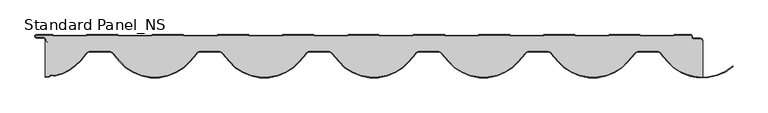
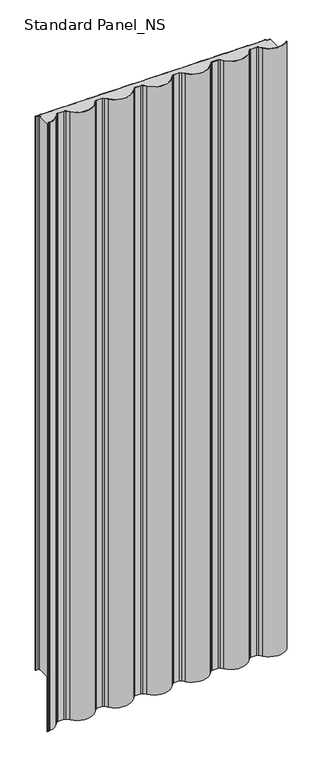
"""IFC4 building model written with IfcOpenShell, lengths in millimetres: proxy geometry, Standard Panel_NS."""

from ifc_helpers import new_model, si_unit, point, frame, frame_2d, origin, origin_with_axes, place, context, project, spatial, polyline, circle_curve, trimmed, segment, composite_curve, outline, extrude, source, transform, mapped, element, save


def standard_panel_ns_9c4f9f68(model_context):
    return source(origin(), model_context, "Body", "SweptSolid", [
        extrude(outline(composite_curve([segment(polyline([(-498.6355337, -10.7186533), (-496.4050487, -12.0064245), (-495.9050487, -11.1403991), (-498.1355337, -9.8526279)]), True, "CONTINUOUS"), segment(trimmed(circle_curve(frame_2d((-497.5855337, -8.9)), 1.1), [point((-498.1355337, -9.8526279))], [point((-498.6855337, -8.9))], False, "CARTESIAN"), True, "CONTINUOUS"), segment(trimmed(circle_curve(frame_2d((-503.7855337, -8.9)), 5.1), [point((-498.6855337, -8.9))], [point((-503.7855337, -3.8))], True, "CARTESIAN"), True, "CONTINUOUS"), segment(polyline([(-503.7855337, -3.8), (-513.2855337, -3.8)]), True, "CONTINUOUS"), segment(trimmed(circle_curve(frame_2d((-513.2855337, -2.4)), 1.4), [point((-513.2855337, -3.8))], [point((-513.2855337, -1.0))], False, "CARTESIAN"), True, "CONTINUOUS"), segment(polyline([(-513.2855337, -1.0), (-488.9539095, -1.0), (-487.2218587, -2.0), (-437.8022434, -2.0), (-436.0701926, -1.0), (-389.9539095, -1.0), (-388.2218587, -2.0), (-338.8022434, -2.0), (-337.0701926, -1.0), (-290.0530074, -1.0), (-288.3209566, -2.0), (-238.9013414, -2.0), (-237.1692905, -1.0), (-191.0530074, -1.0), (-189.3209566, -2.0), (-139.9013414, -2.0), (-138.1692905, -1.0), (-91.9088582, -1.0), (-90.1768074, -2.0), (-40.7571922, -2.0), (-39.0251414, -1.0), (7.0911418, -1.0), (8.8231926, -2.0), (58.2428078, -2.0), (59.9748586, -1.0), (106.9920439, -1.0), (108.7240947, -2.0), (158.1437099, -2.0), (159.8757607, -1.0), (205.9920439, -1.0), (207.7240947, -2.0), (257.1437099, -2.0), (258.8757607, -1.0), (305.136193, -1.0), (306.8682438, -2.0), (356.2878591, -2.0), (358.0199099, -1.0), (404.136193, -1.0), (405.8682438, -2.0), (455.2878591, -2.0), (457.0199099, -1.0), (482.2144663, -1.0)]), True, "CONTINUOUS"), segment(trimmed(circle_curve(frame_2d((482.2144663, -1.9)), 0.9), [point((482.2144663, -1.0))], [point((483.1144663, -1.9))], False, "CARTESIAN"), True, "CONTINUOUS"), segment(polyline([(483.1144663, -1.9), (483.1144663, -3.3)]), True, "CONTINUOUS"), segment(trimmed(circle_curve(frame_2d((486.2144663, -3.3)), 3.1), [point((483.1144663, -3.3))], [point((486.2144663, -6.4))], True, "CARTESIAN"), True, "CONTINUOUS"), segment(polyline([(486.2144663, -6.4), (496.5000907, -6.4)]), True, "CONTINUOUS"), segment(trimmed(circle_curve(frame_2d((496.5000907, -8.9)), 2.5), [point((496.5000907, -6.4))], [point((499.0000907, -8.9))], False, "CARTESIAN"), True, "CONTINUOUS"), segment(polyline([(499.0000907, -8.9), (500.0000907, -8.9), (500.0000907, -64.999989)]), True, "CONTINUOUS"), segment(trimmed(circle_curve(frame_2d((499.9960907, 4.0757294)), 69.0757185), [point((500.0000907, -64.999989))], [point((447.0810204, -40.3252866))], False, "CARTESIAN"), True, "CONTINUOUS"), segment(polyline([(447.0810204, -40.3252866), (437.293871, -28.6614162)]), True, "CONTINUOUS"), segment(trimmed(circle_curve(frame_2d((429.4419155, -35.2499892)), 10.25), [point((437.293871, -28.6614162))], [point((429.4419155, -24.9999892))], True, "CARTESIAN"), True, "CONTINUOUS"), segment(polyline([(429.4419155, -24.9999892), (403.8837707, -24.9999892)]), True, "CONTINUOUS"), segment(trimmed(circle_curve(frame_2d((403.8804817, -35.2418743)), 10.2418857), [point((403.8837707, -24.9999892))], [point((396.0321823, -28.6615689))], True, "CARTESIAN"), True, "CONTINUOUS"), segment(polyline([(396.0321823, -28.6615689), (386.2451611, -40.3252866)]), True, "CONTINUOUS"), segment(trimmed(circle_curve(frame_2d((333.3300907, 4.0757294)), 69.0757185), [point((386.2451611, -40.3252866))], [point((280.4150204, -40.3252866))], False, "CARTESIAN"), True, "CONTINUOUS"), segment(polyline([(280.4150204, -40.3252866), (270.627871, -28.6614162)]), True, "CONTINUOUS"), segment(trimmed(circle_curve(frame_2d((262.7759155, -35.2499892)), 10.25), [point((270.627871, -28.6614162))], [point((262.7759155, -24.9999892))], True, "CARTESIAN"), True, "CONTINUOUS"), segment(polyline([(262.7759155, -24.9999892), (237.2177707, -24.9999892)]), True, "CONTINUOUS"), segment(trimmed(circle_curve(frame_2d((237.2144817, -35.2418743)), 10.2418857), [point((237.2177707, -24.9999892))], [point((229.3661823, -28.661569))], True, "CARTESIAN"), True, "CONTINUOUS"), segment(polyline([(229.3661823, -28.661569), (219.5791611, -40.3252866)]), True, "CONTINUOUS"), segment(trimmed(circle_curve(frame_2d((166.6640907, 4.0757294)), 69.0757185), [point((219.5791611, -40.3252866))], [point((113.7489805, -40.325239))], False, "CARTESIAN"), True, "CONTINUOUS"), segment(polyline([(113.7489805, -40.325239), (103.9618807, -28.6614065)]), True, "CONTINUOUS"), segment(trimmed(circle_curve(frame_2d((96.1099119, -35.2499786)), 10.2500097), [point((103.9618807, -28.6614065))], [point((96.1099119, -24.9999689))], True, "CARTESIAN"), True, "CONTINUOUS"), segment(polyline([(96.1099119, -24.9999689), (70.5518559, -24.9999689)]), True, "CONTINUOUS"), segment(trimmed(circle_curve(frame_2d((70.5518559, -35.2490325)), 10.2490635), [point((70.5518559, -24.9999689))], [point((62.7006209, -28.6610576))], True, "CARTESIAN"), True, "CONTINUOUS"), segment(polyline([(62.7006209, -28.6610576), (52.9131397, -40.3253121)]), True, "CONTINUOUS"), segment(trimmed(circle_curve(frame_2d((-0.0019093, 4.0757294)), 69.0757185), [point((52.9131397, -40.3253121))], [point((-52.9169796, -40.3252866))], False, "CARTESIAN"), True, "CONTINUOUS"), segment(polyline([(-52.9169796, -40.3252866), (-62.704129, -28.6614162)]), True, "CONTINUOUS"), segment(trimmed(circle_curve(frame_2d((-70.5560845, -35.2499892)), 10.25), [point((-62.704129, -28.6614162))], [point((-70.5560845, -24.9999892))], True, "CARTESIAN"), True, "CONTINUOUS"), segment(polyline([(-70.5560845, -24.9999892), (-96.113734, -24.9999892)]), True, "CONTINUOUS"), segment(trimmed(circle_curve(frame_2d((-96.113734, -35.2499892)), 10.25), [point((-96.113734, -24.9999892))], [point((-103.9656895, -28.6614162))], True, "CARTESIAN"), True, "CONTINUOUS"), segment(polyline([(-103.9656895, -28.6614162), (-113.7528389, -40.3252866)]), True, "CONTINUOUS"), segment(trimmed(circle_curve(frame_2d((-166.6679093, 4.0757294)), 69.0757185), [point((-113.7528389, -40.3252866))], [point((-219.5829796, -40.3252866))], False, "CARTESIAN"), True, "CONTINUOUS"), segment(polyline([(-219.5829796, -40.3252866), (-229.370129, -28.6614162)]), True, "CONTINUOUS"), segment(trimmed(circle_curve(frame_2d((-237.2220845, -35.2499892)), 10.25), [point((-229.370129, -28.6614162))], [point((-237.2220845, -24.9999892))], True, "CARTESIAN"), True, "CONTINUOUS"), segment(polyline([(-237.2220845, -24.9999892), (-262.779734, -24.9999892)]), True, "CONTINUOUS"), segment(trimmed(circle_curve(frame_2d((-262.779734, -35.2499892)), 10.25), [point((-262.779734, -24.9999892))], [point((-270.6316895, -28.6614162))], True, "CARTESIAN"), True, "CONTINUOUS"), segment(polyline([(-270.6316895, -28.6614162), (-280.4184361, -40.3248065)]), True, "CONTINUOUS"), segment(trimmed(circle_curve(frame_2d((-333.3339093, 4.0765475)), 69.0762444), [point((-280.4184361, -40.3248065))], [point((-386.2493824, -40.3248066))], False, "CARTESIAN"), True, "CONTINUOUS"), segment(polyline([(-386.2493824, -40.3248066), (-396.036129, -28.6614162)]), True, "CONTINUOUS"), segment(trimmed(circle_curve(frame_2d((-403.8880845, -35.2499892)), 10.25), [point((-396.036129, -28.6614162))], [point((-403.8880845, -24.9999892))], True, "CARTESIAN"), True, "CONTINUOUS"), segment(polyline([(-403.8880845, -24.9999892), (-430.4540566, -24.9999892)]), True, "CONTINUOUS"), segment(trimmed(circle_curve(frame_2d((-430.4540566, -35.2469804)), 10.2469912), [point((-430.4540566, -24.9999892))], [point((-438.3037073, -28.6603414))], True, "CARTESIAN"), True, "CONTINUOUS"), segment(polyline([(-438.3037073, -28.6603414), (-447.0848388, -39.1252865)]), True, "CONTINUOUS"), segment(trimmed(circle_curve(frame_2d((-499.9999093, 5.2757294)), 69.0757185), [point((-447.0848388, -39.1252865))], [point((-485.2315184, -62.2027822))], False, "CARTESIAN"), True, "CONTINUOUS"), segment(trimmed(circle_curve(frame_2d((-485.6056685, -60.4932467)), 1.75), [point((-485.2315184, -62.2027822))], [point((-486.5816008, -61.9458499))], False, "CARTESIAN"), True, "CONTINUOUS"), segment(trimmed(circle_curve(frame_2d((-489.5093978, -66.3036595)), 5.25), [point((-486.5816008, -61.9458499))], [point((-493.5645482, -62.9692547))], True, "CARTESIAN"), True, "CONTINUOUS"), segment(trimmed(circle_curve(frame_2d((-494.9162649, -61.8577864)), 1.75), [point((-493.5645482, -62.9692547))], [point((-494.7841256, -63.6027904))], False, "CARTESIAN"), True, "CONTINUOUS"), segment(trimmed(circle_curve(frame_2d((-499.9999093, 5.2757294)), 69.0757185), [point((-494.7841256, -63.6027904))], [point((-499.9999093, -63.7999892))], False, "CARTESIAN"), True, "CONTINUOUS"), segment(polyline([(-499.9999093, -63.7999892), (-499.9999093, -7.325501)]), True, "CONTINUOUS"), segment(trimmed(circle_curve(frame_2d((-503.7855337, -8.9)), 4.1), [point((-499.9999093, -7.325501))], [point((-499.6855337, -8.9))], False, "CARTESIAN"), True, "CONTINUOUS"), segment(trimmed(circle_curve(frame_2d((-497.5855337, -8.9)), 2.1), [point((-499.6855337, -8.9))], [point((-498.6355337, -10.7186533))], True, "CARTESIAN"), True, "CONTINUOUS")], self_intersect=False)), origin_with_axes(), (0.0, 0.0, 1.0), 2527.968552),
        extrude(outline(composite_curve([segment(trimmed(circle_curve(frame_2d((-497.5855337, -8.9)), 2.1), [point((-498.6355337, -10.7186533))], [point((-499.6855337, -8.9))], False, "CARTESIAN"), True, "CONTINUOUS"), segment(trimmed(circle_curve(frame_2d((-503.7855337, -8.9)), 4.1), [point((-499.6855337, -8.9))], [point((-503.7855337, -4.8))], True, "CARTESIAN"), True, "CONTINUOUS"), segment(polyline([(-503.7855337, -4.8), (-513.2855337, -4.8)]), True, "CONTINUOUS"), segment(trimmed(circle_curve(frame_2d((-513.2855337, -2.4)), 2.4), [point((-513.2855337, -4.8))], [point((-513.2855337, 0.0))], False, "CARTESIAN"), True, "CONTINUOUS"), segment(polyline([(-513.2855337, 0.0), (-489.1280765, 0.0)]), True, "CONTINUOUS"), segment(trimmed(circle_curve(frame_2d((-489.1280765, -1.65)), 1.65), [point((-489.1280765, 0.0))], [point((-488.3030765, -0.2210581))], False, "CARTESIAN"), True, "CONTINUOUS"), segment(polyline([(-488.3030765, -0.2210581), (-486.9539095, -1.0), (-438.0701926, -1.0), (-436.9126149, -0.3316722)]), True, "CONTINUOUS"), segment(trimmed(circle_curve(frame_2d((-436.047426, -1.2942873)), 1.2942873), [point((-436.9126149, -0.3316722))], [point((-436.047426, 0.0))], False, "CARTESIAN"), True, "CONTINUOUS"), segment(polyline([(-436.047426, 0.0), (-390.1280765, 0.0)]), True, "CONTINUOUS"), segment(trimmed(circle_curve(frame_2d((-390.1280765, -1.65)), 1.65), [point((-390.1280765, 0.0))], [point((-389.3030765, -0.2210581))], False, "CARTESIAN"), True, "CONTINUOUS"), segment(polyline([(-389.3030765, -0.2210581), (-387.9539095, -1.0), (-339.0701926, -1.0), (-337.7210257, -0.2210581)]), True, "CONTINUOUS"), segment(trimmed(circle_curve(frame_2d((-336.8960257, -1.65)), 1.65), [point((-337.7210257, -0.2210581))], [point((-336.8960257, 0.0))], False, "CARTESIAN"), True, "CONTINUOUS"), segment(polyline([(-336.8960257, 0.0), (-290.2271744, 0.0)]), True, "CONTINUOUS"), segment(trimmed(circle_curve(frame_2d((-290.2271744, -1.65)), 1.65), [point((-290.2271744, 0.0))], [point((-289.4021744, -0.2210581))], False, "CARTESIAN"), True, "CONTINUOUS"), segment(polyline([(-289.4021744, -0.2210581), (-288.0530074, -1.0), (-239.1692905, -1.0), (-237.8201236, -0.2210581)]), True, "CONTINUOUS"), segment(trimmed(circle_curve(frame_2d((-236.9951236, -1.65)), 1.65), [point((-237.8201236, -0.2210581))], [point((-236.9951236, 0.0))], False, "CARTESIAN"), True, "CONTINUOUS"), segment(polyline([(-236.9951236, 0.0), (-191.075774, 0.0)]), True, "CONTINUOUS"), segment(trimmed(circle_curve(frame_2d((-191.075774, -1.2120166)), 1.2120166), [point((-191.075774, 0.0))], [point((-190.3029816, -0.278327))], False, "CARTESIAN"), True, "CONTINUOUS"), segment(polyline([(-190.3029816, -0.278327), (-189.0530074, -1.0), (-140.1692905, -1.0), (-138.8201236, -0.2210581)]), True, "CONTINUOUS"), segment(trimmed(circle_curve(frame_2d((-137.9951236, -1.65)), 1.65), [point((-138.8201236, -0.2210581))], [point((-137.9951236, 0.0))], False, "CARTESIAN"), True, "CONTINUOUS"), segment(polyline([(-137.9951236, 0.0), (-92.0830252, 0.0)]), True, "CONTINUOUS"), segment(trimmed(circle_curve(frame_2d((-92.0830252, -1.65)), 1.65), [point((-92.0830252, 0.0))], [point((-91.2580252, -0.2210581))], False, "CARTESIAN"), True, "CONTINUOUS"), segment(polyline([(-91.2580252, -0.2210581), (-89.9088582, -1.0), (-41.0251414, -1.0), (-39.7506864, -0.2641931)]), True, "CONTINUOUS"), segment(trimmed(circle_curve(frame_2d((-39.0023748, -1.1918713)), 1.1918713), [point((-39.7506864, -0.2641931))], [point((-39.0023748, 0.0))], False, "CARTESIAN"), True, "CONTINUOUS"), segment(polyline([(-39.0023748, 0.0), (6.9169748, 0.0)]), True, "CONTINUOUS"), segment(trimmed(circle_curve(frame_2d((6.9169748, -1.65)), 1.65), [point((6.9169748, 0.0))], [point((7.7419748, -0.2210581))], False, "CARTESIAN"), True, "CONTINUOUS"), segment(polyline([(7.7419748, -0.2210581), (9.0911418, -1.0), (57.9748586, -1.0), (59.3240256, -0.2210581)]), True, "CONTINUOUS"), segment(trimmed(circle_curve(frame_2d((60.1490256, -1.65)), 1.65), [point((59.3240256, -0.2210581))], [point((60.1490256, 0.0))], False, "CARTESIAN"), True, "CONTINUOUS"), segment(polyline([(60.1490256, 0.0), (106.8178769, 0.0)]), True, "CONTINUOUS"), segment(trimmed(circle_curve(frame_2d((106.8178769, -1.65)), 1.65), [point((106.8178769, 0.0))], [point((107.6428769, -0.2210581))], False, "CARTESIAN"), True, "CONTINUOUS"), segment(polyline([(107.6428769, -0.2210581), (108.9920439, -1.0), (157.8757607, -1.0), (159.2249277, -0.2210581)]), True, "CONTINUOUS"), segment(trimmed(circle_curve(frame_2d((160.0499277, -1.65)), 1.65), [point((159.2249277, -0.2210581))], [point((160.0499277, 0.0))], False, "CARTESIAN"), True, "CONTINUOUS"), segment(polyline([(160.0499277, 0.0), (205.9692773, 0.0)]), True, "CONTINUOUS"), segment(trimmed(circle_curve(frame_2d((205.9692773, -1.2379622)), 1.2379622), [point((205.9692773, 0.0))], [point((206.7722973, -0.295779))], False, "CARTESIAN"), True, "CONTINUOUS"), segment(polyline([(206.7722973, -0.295779), (207.9920439, -1.0), (256.8757607, -1.0), (258.2249277, -0.2210581)]), True, "CONTINUOUS"), segment(trimmed(circle_curve(frame_2d((259.0499277, -1.65)), 1.65), [point((258.2249277, -0.2210581))], [point((259.0499277, 0.0))], False, "CARTESIAN"), True, "CONTINUOUS"), segment(polyline([(259.0499277, 0.0), (304.9620261, 0.0)]), True, "CONTINUOUS"), segment(trimmed(circle_curve(frame_2d((304.9620261, -1.65)), 1.65), [point((304.9620261, 0.0))], [point((305.7870261, -0.2210581))], False, "CARTESIAN"), True, "CONTINUOUS"), segment(polyline([(305.7870261, -0.2210581), (307.136193, -1.0), (356.0199099, -1.0), (357.2442866, -0.2931058)]), True, "CONTINUOUS"), segment(trimmed(circle_curve(frame_2d((358.0426765, -1.2339188)), 1.2339188), [point((357.2442866, -0.2931058))], [point((358.0426765, 0.0))], False, "CARTESIAN"), True, "CONTINUOUS"), segment(polyline([(358.0426765, 0.0), (403.9620261, 0.0)]), True, "CONTINUOUS"), segment(trimmed(circle_curve(frame_2d((403.9620261, -1.65)), 1.65), [point((403.9620261, 0.0))], [point((404.7870261, -0.2210581))], False, "CARTESIAN"), True, "CONTINUOUS"), segment(polyline([(404.7870261, -0.2210581), (406.136193, -1.0), (455.0199099, -1.0), (456.3690769, -0.2210581)]), True, "CONTINUOUS"), segment(trimmed(circle_curve(frame_2d((457.1940769, -1.65)), 1.65), [point((456.3690769, -0.2210581))], [point((457.1940769, 0.0))], False, "CARTESIAN"), True, "CONTINUOUS"), segment(polyline([(457.1940769, 0.0), (482.2144663, 0.0)]), True, "CONTINUOUS"), segment(trimmed(circle_curve(frame_2d((482.2144663, -1.9)), 1.9), [point((482.2144663, 0.0))], [point((484.1144663, -1.9))], False, "CARTESIAN"), True, "CONTINUOUS"), segment(polyline([(484.1144663, -1.9), (484.1144663, -3.3)]), True, "CONTINUOUS"), segment(trimmed(circle_curve(frame_2d((486.2144663, -3.3)), 2.1), [point((484.1144663, -3.3))], [point((486.2144663, -5.4))], True, "CARTESIAN"), True, "CONTINUOUS"), segment(polyline([(486.2144663, -5.4), (496.5000907, -5.4)]), True, "CONTINUOUS"), segment(trimmed(circle_curve(frame_2d((496.5000907, -8.9)), 3.5), [point((496.5000907, -5.4))], [point((500.0000907, -8.9))], False, "CARTESIAN"), True, "CONTINUOUS"), segment(polyline([(500.0000907, -8.9), (499.0000907, -8.9)]), True, "CONTINUOUS"), segment(trimmed(circle_curve(frame_2d((496.5000907, -8.9)), 2.5), [point((499.0000907, -8.9))], [point((496.5000907, -6.4))], True, "CARTESIAN"), True, "CONTINUOUS"), segment(polyline([(496.5000907, -6.4), (486.2144663, -6.4)]), True, "CONTINUOUS"), segment(trimmed(circle_curve(frame_2d((486.2144663, -3.3)), 3.1), [point((486.2144663, -6.4))], [point((483.1144663, -3.3))], False, "CARTESIAN"), True, "CONTINUOUS"), segment(polyline([(483.1144663, -3.3), (483.1144663, -1.9)]), True, "CONTINUOUS"), segment(trimmed(circle_curve(frame_2d((482.2144663, -1.9)), 0.9), [point((483.1144663, -1.9))], [point((482.2144663, -1.0))], True, "CARTESIAN"), True, "CONTINUOUS"), segment(polyline([(482.2144663, -1.0), (457.0199099, -1.0), (455.2878591, -2.0), (405.8682438, -2.0), (404.136193, -1.0), (358.0199099, -1.0), (356.2878591, -2.0), (306.8682438, -2.0), (305.136193, -1.0), (258.8757607, -1.0), (257.1437099, -2.0), (207.7240947, -2.0), (205.9920439, -1.0), (159.8757607, -1.0), (158.1437099, -2.0), (108.7240947, -2.0), (106.9920439, -1.0), (59.9748586, -1.0), (58.2428078, -2.0), (8.8231926, -2.0), (7.0911418, -1.0), (-39.0251414, -1.0), (-40.7571922, -2.0), (-90.1768074, -2.0), (-91.9088582, -1.0), (-138.1692905, -1.0), (-139.9013414, -2.0), (-189.3209566, -2.0), (-191.0530074, -1.0), (-237.1692905, -1.0), (-238.9013414, -2.0), (-288.3209566, -2.0), (-290.0530074, -1.0), (-337.0701926, -1.0), (-338.8022434, -2.0), (-388.2218587, -2.0), (-389.9539095, -1.0), (-436.0701926, -1.0), (-437.8022434, -2.0), (-487.2218587, -2.0), (-488.9539095, -1.0), (-513.2855337, -1.0)]), True, "CONTINUOUS"), segment(trimmed(circle_curve(frame_2d((-513.2855337, -2.4)), 1.4), [point((-513.2855337, -1.0))], [point((-513.2855337, -3.8))], True, "CARTESIAN"), True, "CONTINUOUS"), segment(polyline([(-513.2855337, -3.8), (-503.7855337, -3.8)]), True, "CONTINUOUS"), segment(trimmed(circle_curve(frame_2d((-503.7855337, -8.9)), 5.1), [point((-503.7855337, -3.8))], [point((-498.6855337, -8.9))], False, "CARTESIAN"), True, "CONTINUOUS"), segment(trimmed(circle_curve(frame_2d((-497.5855337, -8.9)), 1.1), [point((-498.6855337, -8.9))], [point((-498.1355337, -9.8526279))], True, "CARTESIAN"), True, "CONTINUOUS"), segment(polyline([(-498.1355337, -9.8526279), (-495.9050487, -11.1403991), (-496.4050487, -12.0064245), (-498.6355337, -10.7186533)]), True, "CONTINUOUS")], self_intersect=False)), origin_with_axes(), (0.0, 0.0, 1.0), 2527.968552),
        extrude(outline(composite_curve([segment(trimmed(circle_curve(frame_2d((-499.9999093, 5.2751186)), 70.0757185), [point((-494.7086174, -64.6005464))], [point((-499.9999093, -64.8005999))], False, "CARTESIAN"), True, "CONTINUOUS"), segment(polyline([(-499.9999093, -64.8005999), (-499.9999093, -63.8005999)]), True, "CONTINUOUS"), segment(trimmed(circle_curve(frame_2d((-499.9999093, 5.2751186)), 69.0757185), [point((-499.9999093, -63.8005999))], [point((-494.7841256, -63.6034012))], True, "CARTESIAN"), True, "CONTINUOUS"), segment(trimmed(circle_curve(frame_2d((-494.916265, -61.8583971)), 1.75), [point((-494.7841256, -63.6034012))], [point((-493.5645482, -62.9698654))], True, "CARTESIAN"), True, "CONTINUOUS"), segment(trimmed(circle_curve(frame_2d((-489.5093978, -66.3042702)), 5.25), [point((-493.5645482, -62.9698654))], [point((-486.5816008, -61.9464606))], False, "CARTESIAN"), True, "CONTINUOUS"), segment(trimmed(circle_curve(frame_2d((-485.6056685, -60.4938574)), 1.75), [point((-486.5816008, -61.9464606))], [point((-485.2315184, -62.2033929))], True, "CARTESIAN"), True, "CONTINUOUS"), segment(trimmed(circle_curve(frame_2d((-499.9999093, 5.2751186)), 69.0757185), [point((-485.2315184, -62.2033929))], [point((-447.0848388, -39.1258972))], True, "CARTESIAN"), True, "CONTINUOUS"), segment(polyline([(-447.0848388, -39.1258972), (-438.3037073, -28.6609522)]), True, "CONTINUOUS"), segment(trimmed(circle_curve(frame_2d((-430.4540566, -35.2475911)), 10.2469912), [point((-438.3037073, -28.6609522))], [point((-430.4540566, -25.0005999))], False, "CARTESIAN"), True, "CONTINUOUS"), segment(polyline([(-430.4540566, -25.0005999), (-403.8880845, -25.0005999)]), True, "CONTINUOUS"), segment(trimmed(circle_curve(frame_2d((-403.8880845, -35.2505999)), 10.25), [point((-403.8880845, -25.0005999))], [point((-396.036129, -28.6620269))], False, "CARTESIAN"), True, "CONTINUOUS"), segment(polyline([(-396.036129, -28.6620269), (-386.2493824, -40.3254173)]), True, "CONTINUOUS"), segment(trimmed(circle_curve(frame_2d((-333.3339093, 4.0759367)), 69.0762444), [point((-386.2493824, -40.3254173))], [point((-280.4184361, -40.3254173))], True, "CARTESIAN"), True, "CONTINUOUS"), segment(polyline([(-280.4184361, -40.3254173), (-270.6316895, -28.6620269)]), True, "CONTINUOUS"), segment(trimmed(circle_curve(frame_2d((-262.779734, -35.2505999)), 10.25), [point((-270.6316895, -28.6620269))], [point((-262.779734, -25.0005999))], False, "CARTESIAN"), True, "CONTINUOUS"), segment(polyline([(-262.779734, -25.0005999), (-237.2220845, -25.0005999)]), True, "CONTINUOUS"), segment(trimmed(circle_curve(frame_2d((-237.2220845, -35.2505999)), 10.25), [point((-237.2220845, -25.0005999))], [point((-229.370129, -28.6620269))], False, "CARTESIAN"), True, "CONTINUOUS"), segment(polyline([(-229.370129, -28.6620269), (-219.5829796, -40.3258974)]), True, "CONTINUOUS"), segment(trimmed(circle_curve(frame_2d((-166.6679093, 4.0751186)), 69.0757185), [point((-219.5829796, -40.3258974))], [point((-113.7528389, -40.3258974))], True, "CARTESIAN"), True, "CONTINUOUS"), segment(polyline([(-113.7528389, -40.3258974), (-103.9656895, -28.6620269)]), True, "CONTINUOUS"), segment(trimmed(circle_curve(frame_2d((-96.113734, -35.2505999)), 10.25), [point((-103.9656895, -28.6620269))], [point((-96.113734, -25.0005999))], False, "CARTESIAN"), True, "CONTINUOUS"), segment(polyline([(-96.113734, -25.0005999), (-70.5560845, -25.0005999)]), True, "CONTINUOUS"), segment(trimmed(circle_curve(frame_2d((-70.5560845, -35.2505999)), 10.25), [point((-70.5560845, -25.0005999))], [point((-62.704129, -28.6620269))], False, "CARTESIAN"), True, "CONTINUOUS"), segment(polyline([(-62.704129, -28.6620269), (-52.9169796, -40.3258974)]), True, "CONTINUOUS"), segment(trimmed(circle_curve(frame_2d((-0.0019093, 4.0751186)), 69.0757185), [point((-52.9169796, -40.3258974))], [point((52.9131397, -40.3259229))], True, "CARTESIAN"), True, "CONTINUOUS"), segment(polyline([(52.9131397, -40.3259229), (62.7006209, -28.6616684)]), True, "CONTINUOUS"), segment(trimmed(circle_curve(frame_2d((70.5518559, -35.2496432)), 10.2490635), [point((62.7006209, -28.6616684))], [point((70.5518559, -25.0005797))], False, "CARTESIAN"), True, "CONTINUOUS"), segment(polyline([(70.5518559, -25.0005797), (96.1099119, -25.0005797)]), True, "CONTINUOUS"), segment(trimmed(circle_curve(frame_2d((96.1099119, -35.2505893)), 10.2500097), [point((96.1099119, -25.0005797))], [point((103.9618807, -28.6620172))], False, "CARTESIAN"), True, "CONTINUOUS"), segment(polyline([(103.9618807, -28.6620172), (113.7489805, -40.3258498)]), True, "CONTINUOUS"), segment(trimmed(circle_curve(frame_2d((166.6640907, 4.0751186)), 69.0757185), [point((113.7489805, -40.3258498))], [point((219.5791611, -40.3258974))], True, "CARTESIAN"), True, "CONTINUOUS"), segment(polyline([(219.5791611, -40.3258974), (229.3661823, -28.6621797)]), True, "CONTINUOUS"), segment(trimmed(circle_curve(frame_2d((237.2144817, -35.2424851)), 10.2418857), [point((229.3661823, -28.6621797))], [point((237.2177707, -25.0005999))], False, "CARTESIAN"), True, "CONTINUOUS"), segment(polyline([(237.2177707, -25.0005999), (262.7759154, -25.0005999)]), True, "CONTINUOUS"), segment(trimmed(circle_curve(frame_2d((262.7759154, -35.2505999)), 10.25), [point((262.7759154, -25.0005999))], [point((270.627871, -28.6620269))], False, "CARTESIAN"), True, "CONTINUOUS"), segment(polyline([(270.627871, -28.6620269), (280.4150204, -40.3258974)]), True, "CONTINUOUS"), segment(trimmed(circle_curve(frame_2d((333.3300907, 4.0751186)), 69.0757185), [point((280.4150204, -40.3258974))], [point((386.2451611, -40.3258974))], True, "CARTESIAN"), True, "CONTINUOUS"), segment(polyline([(386.2451611, -40.3258974), (396.0321823, -28.6621797)]), True, "CONTINUOUS"), segment(trimmed(circle_curve(frame_2d((403.8804817, -35.2424851)), 10.2418857), [point((396.0321823, -28.6621797))], [point((403.8837707, -25.0005999))], False, "CARTESIAN"), True, "CONTINUOUS"), segment(polyline([(403.8837707, -25.0005999), (429.4419154, -25.0005999)]), True, "CONTINUOUS"), segment(trimmed(circle_curve(frame_2d((429.4419154, -35.2505999)), 10.25), [point((429.4419154, -25.0005999))], [point((437.293871, -28.6620269))], False, "CARTESIAN"), True, "CONTINUOUS"), segment(polyline([(437.293871, -28.6620269), (447.0810204, -40.3258974)]), True, "CONTINUOUS"), segment(trimmed(circle_curve(frame_2d((499.9960907, 4.0751186)), 69.0757185), [point((447.0810204, -40.3258974))], [point((545.6376564, -47.7737229))], True, "CARTESIAN"), True, "CONTINUOUS"), segment(polyline([(545.6376564, -47.7737229), (546.3461746, -48.4822411)]), True, "CONTINUOUS"), segment(trimmed(circle_curve(frame_2d((499.9960907, 4.0751186)), 70.0757185), [point((546.3461746, -48.4822411))], [point((446.314976, -40.968685))], False, "CARTESIAN"), True, "CONTINUOUS"), segment(polyline([(446.314976, -40.968685), (436.5278265, -29.3048145)]), True, "CONTINUOUS"), segment(trimmed(circle_curve(frame_2d((429.4419154, -35.2505999)), 9.25), [point((436.5278265, -29.3048145))], [point((429.4419154, -26.0005999))], True, "CARTESIAN"), True, "CONTINUOUS"), segment(polyline([(429.4419154, -26.0005999), (403.883606, -26.0005999)]), True, "CONTINUOUS"), segment(trimmed(circle_curve(frame_2d((403.8804817, -35.2424851)), 9.2418857), [point((403.883606, -26.0005999))], [point((396.7983549, -29.3048145))], True, "CARTESIAN"), True, "CONTINUOUS"), segment(polyline([(396.7983549, -29.3048145), (387.0112055, -40.968685)]), True, "CONTINUOUS"), segment(trimmed(circle_curve(frame_2d((333.3300907, 4.0751186)), 70.0757185), [point((387.0112055, -40.968685))], [point((279.648976, -40.968685))], False, "CARTESIAN"), True, "CONTINUOUS"), segment(polyline([(279.648976, -40.968685), (269.8618265, -29.3048145)]), True, "CONTINUOUS"), segment(trimmed(circle_curve(frame_2d((262.7759154, -35.2505999)), 9.25), [point((269.8618265, -29.3048145))], [point((262.7759154, -26.0005999))], True, "CARTESIAN"), True, "CONTINUOUS"), segment(polyline([(262.7759154, -26.0005999), (237.217606, -26.0005999)]), True, "CONTINUOUS"), segment(trimmed(circle_curve(frame_2d((237.2144817, -35.2424851)), 9.2418857), [point((237.217606, -26.0005999))], [point((230.1323549, -29.3048145))], True, "CARTESIAN"), True, "CONTINUOUS"), segment(polyline([(230.1323549, -29.3048145), (220.3452055, -40.968685)]), True, "CONTINUOUS"), segment(trimmed(circle_curve(frame_2d((166.6640907, 4.0751186)), 70.0757185), [point((220.3452055, -40.968685))], [point((112.9829354, -40.9686367))], False, "CARTESIAN"), True, "CONTINUOUS"), segment(polyline([(112.9829354, -40.9686367), (103.1958357, -29.3048041)]), True, "CONTINUOUS"), segment(trimmed(circle_curve(frame_2d((96.1099119, -35.2505893)), 9.2500097), [point((103.1958357, -29.3048041))], [point((96.1099119, -26.0005797))], True, "CARTESIAN"), True, "CONTINUOUS"), segment(polyline([(96.1099119, -26.0005797), (70.5518559, -26.0005797)]), True, "CONTINUOUS"), segment(trimmed(circle_curve(frame_2d((70.5518559, -35.2496432)), 9.2490635), [point((70.5518559, -26.0005797))], [point((63.466665, -29.3044564))], True, "CARTESIAN"), True, "CONTINUOUS"), segment(polyline([(63.466665, -29.3044564), (53.6791838, -40.9687109)]), True, "CONTINUOUS"), segment(trimmed(circle_curve(frame_2d((-0.0019093, 4.0751186)), 70.0757185), [point((53.6791838, -40.9687109))], [point((-53.683024, -40.968685))], False, "CARTESIAN"), True, "CONTINUOUS"), segment(polyline([(-53.683024, -40.968685), (-63.4701734, -29.3048145)]), True, "CONTINUOUS"), segment(trimmed(circle_curve(frame_2d((-70.5560845, -35.2505999)), 9.25), [point((-63.4701734, -29.3048145))], [point((-70.5560845, -26.0005999))], True, "CARTESIAN"), True, "CONTINUOUS"), segment(polyline([(-70.5560845, -26.0005999), (-96.113734, -26.0005999)]), True, "CONTINUOUS"), segment(trimmed(circle_curve(frame_2d((-96.113734, -35.2505999)), 9.25), [point((-96.113734, -26.0005999))], [point((-103.1996451, -29.3048145))], True, "CARTESIAN"), True, "CONTINUOUS"), segment(polyline([(-103.1996451, -29.3048145), (-112.9867945, -40.968685)]), True, "CONTINUOUS"), segment(trimmed(circle_curve(frame_2d((-166.6679093, 4.0751186)), 70.0757185), [point((-112.9867945, -40.968685))], [point((-220.349024, -40.968685))], False, "CARTESIAN"), True, "CONTINUOUS"), segment(polyline([(-220.349024, -40.968685), (-230.1361734, -29.3048145)]), True, "CONTINUOUS"), segment(trimmed(circle_curve(frame_2d((-237.2220845, -35.2505999)), 9.25), [point((-230.1361734, -29.3048145))], [point((-237.2220845, -26.0005999))], True, "CARTESIAN"), True, "CONTINUOUS"), segment(polyline([(-237.2220845, -26.0005999), (-262.779734, -26.0005999)]), True, "CONTINUOUS"), segment(trimmed(circle_curve(frame_2d((-262.779734, -35.2505999)), 9.25), [point((-262.779734, -26.0005999))], [point((-269.8656451, -29.3048145))], True, "CARTESIAN"), True, "CONTINUOUS"), segment(polyline([(-269.8656451, -29.3048145), (-279.6523916, -40.9682049)]), True, "CONTINUOUS"), segment(trimmed(circle_curve(frame_2d((-333.3339093, 4.0759367)), 70.0762444), [point((-279.6523916, -40.9682049))], [point((-387.0154269, -40.9682049))], False, "CARTESIAN"), True, "CONTINUOUS"), segment(polyline([(-387.0154269, -40.9682049), (-396.8021734, -29.3048145)]), True, "CONTINUOUS"), segment(trimmed(circle_curve(frame_2d((-403.8880845, -35.2505999)), 9.25), [point((-396.8021734, -29.3048145))], [point((-403.8880845, -26.0005999))], True, "CARTESIAN"), True, "CONTINUOUS"), segment(polyline([(-403.8880845, -26.0005999), (-430.4540566, -26.0005999)]), True, "CONTINUOUS"), segment(trimmed(circle_curve(frame_2d((-430.4540566, -35.2475911)), 9.2469912), [point((-430.4540566, -26.0005999))], [point((-437.5376629, -29.3037398))], True, "CARTESIAN"), True, "CONTINUOUS"), segment(polyline([(-437.5376629, -29.3037398), (-446.3187943, -39.7686848)]), True, "CONTINUOUS"), segment(trimmed(circle_curve(frame_2d((-499.9999093, 5.2751186)), 70.0757185), [point((-446.3187943, -39.7686848))], [point((-485.0177184, -63.1802704))], False, "CARTESIAN"), True, "CONTINUOUS"), segment(trimmed(circle_curve(frame_2d((-485.6056685, -60.4938574)), 2.75), [point((-485.0177184, -63.1802704))], [point((-487.1392764, -62.7765196))], False, "CARTESIAN"), True, "CONTINUOUS"), segment(trimmed(circle_curve(frame_2d((-489.5093978, -66.3042702)), 4.25), [point((-487.1392764, -62.7765196))], [point((-492.7921386, -63.6049901))], True, "CARTESIAN"), True, "CONTINUOUS"), segment(trimmed(circle_curve(frame_2d((-494.916265, -61.8583971)), 2.75), [point((-492.7921386, -63.6049901))], [point((-494.7086174, -64.6005464))], False, "CARTESIAN"), True, "CONTINUOUS")], self_intersect=False)), frame((0.0, 0.0, -250.0), z_axis=(0.0, 0.0, 1.0), x_axis=(1.0, 0.0, 0.0)), (0.0, 0.0, 1.0), 2777.968552),
    ])


if __name__ == "__main__":
    model = new_model("IFC4")
    model_context = context("Model", 3, world=origin())
    ifc_project = project(units=[si_unit("LENGTHUNIT", "METRE", prefix="MILLI")], contexts=[model_context])
    site = spatial("IfcSite", under=ifc_project)
    building = spatial("IfcBuilding", under=site)
    placement = place(None, origin())
    standard_panel_ns_shape = standard_panel_ns_9c4f9f68(model_context)
    element("IfcBuildingElementProxy", 1, Name="Standard Panel_NS", ObjectType="Standard Panel_NS", at=placement, inside=building, context=model_context, shape_type="MappedRepresentation", body=[
        mapped(standard_panel_ns_shape, transform((0.0, 0.0, 0.0), x_axis=(1.0, 0.0, 0.0), y_axis=(0.0, 1.0, 0.0), z_axis=(0.0, 0.0, 1.0))),
    ])
    save(model, "model.ifc")
